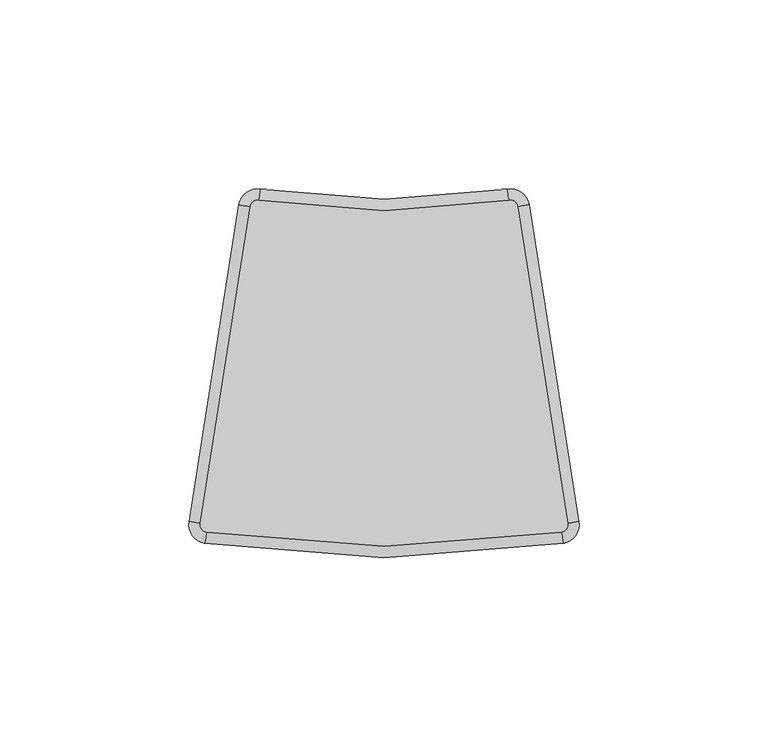
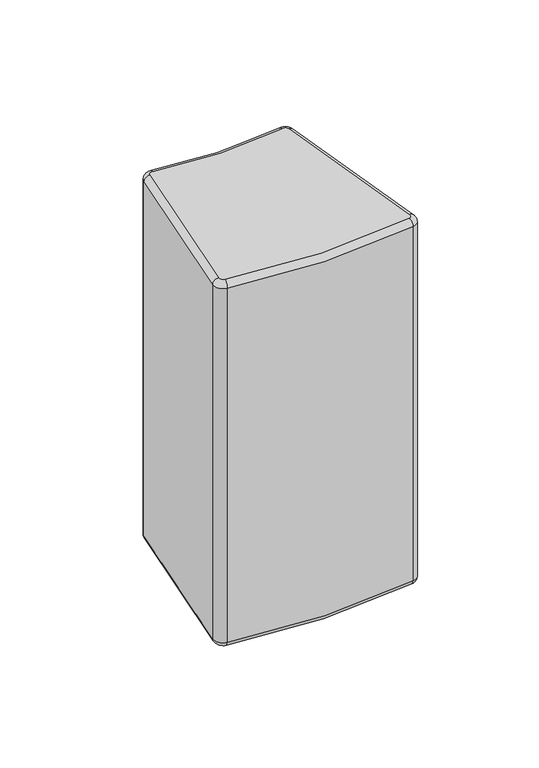
"""IFC4 building model written with IfcOpenShell, lengths in millimetres: plate geometry."""

from ifc_helpers import new_model, si_unit, point, frame, origin, place, context, project, spatial, polyline, circle_curve, ellipse_curve, trimmed, source, transform, mapped, element, save
from ifc_brep_helpers import plane_surface, cylinder_surface, revolved_surface, advanced_brep


def plate_ae0b410f(model_context):
    return source(origin(), model_context, "Body", "AdvancedBrep", [
        advanced_brep(
        [(-48.6187907, -40.1579752, 196.85), (-46.9610317, -42.4433121, 196.85), (46.9610317, -42.4433121, 196.85), (48.6187907, -40.1579752, 196.85), (35.4294025, 43.6926295, 196.85), (33.1273172, 45.3550478, 196.85), (-33.1273172, 45.3550478, 196.85), (-35.4294025, 43.6926295, 196.85), (-35.4294025, 43.6926295, 0.0), (-33.1273172, 45.3550478, 0.0), (33.1273172, 45.3550478, 0.0), (35.4294025, 43.6926295, 0.0), (48.6187907, -40.1579752, 0.0), (46.9610317, -42.4433121, 0.0), (-46.9610317, -42.4433121, 0.0), (-48.6187907, -40.1579752, 0.0), (-51.5823523, -39.691818, 193.85), (-38.3929641, 44.1587867, 193.85), (-38.3929641, 44.1587867, 2.9999976), (-51.5823523, -39.691818, 3.0), (47.4379548, -45.4051602, 193.85), (-47.4379548, -45.4051602, 193.85), (-47.4379548, -45.4051602, 2.9999989), (47.4379548, -45.4051602, 3.0), (38.3929641, 44.1587867, 193.85), (51.5823523, -39.691818, 193.85), (51.5823523, -39.691818, 3.0), (38.3929641, 44.1587867, 3.0), (-32.637751, 48.3148324, 193.85), (32.637751, 48.3148324, 193.85), (32.637751, 48.3148324, 2.9999976), (-32.637751, 48.3148324, 3.0)],
        [
            (0, 1, circle_curve(frame((-46.6430829, -40.4687467, 196.85), z_axis=(0.0, 0.0, 1.0), x_axis=(-0.9878538718482607, 0.15538573896725602, 0.0)), 2.0)),
            (1, 2, circle_curve(frame((0.0, 249.2, 196.85), z_axis=(0.0, 0.0, 1.0), x_axis=(-0.1589743793886803, -0.9872827085986992, 0.0)), 295.4)),
            (2, 3, circle_curve(frame((46.6430829, -40.4687467, 196.85), z_axis=(0.0, 0.0, 1.0), x_axis=(0.15897437938865627, -0.987282708598703, 0.0)), 2.0)),
            (3, 4),
            (4, 5, circle_curve(frame((33.4536947, 43.381858, 196.85), z_axis=(0.0, 0.0, 1.0), x_axis=(0.9878538718482599, 0.1553857389672605, 0.0)), 2.0)),
            (5, 6, circle_curve(frame((0.0, 245.6338056, 196.85), z_axis=(0.0, 0.0, -1.0), x_axis=(0.16318875479181272, -0.9865948663506706, 0.0)), 203.0)),
            (6, 7, circle_curve(frame((-33.4536947, 43.381858, 196.85), z_axis=(0.0, 0.0, 1.0), x_axis=(0.16318875479181183, 0.9865948663506707, 0.0)), 2.0)),
            (7, 0),
            (8, 9, circle_curve(frame((-33.4536947, 43.381858, 0.0), z_axis=(0.0, 0.0, -1.0), x_axis=(-0.9878538718482619, 0.1553857389672479, 0.0)), 2.0)),
            (9, 10, circle_curve(frame((0.0, 245.6338056, 0.0), z_axis=(0.0, 0.0, 1.0), x_axis=(-0.16318875479180558, -0.9865948663506718, 0.0)), 203.0)),
            (10, 11, circle_curve(frame((33.4536947, 43.381858, 0.0), z_axis=(0.0, 0.0, -1.0), x_axis=(-0.1631887547918012, 0.9865948663506725, 0.0)), 2.0)),
            (11, 12),
            (12, 13, circle_curve(frame((46.6430829, -40.4687467, 0.0), z_axis=(0.0, 0.0, -1.0), x_axis=(0.9878538718482593, 0.15538573896726424, 0.0)), 2.0)),
            (13, 14, circle_curve(frame((0.0, 249.2, 0.0), z_axis=(0.0, 0.0, -1.0), x_axis=(0.1589743793886688, -0.987282708598701, 0.0)), 295.4)),
            (14, 15, circle_curve(frame((-46.6430829, -40.4687467, 0.0), z_axis=(0.0, 0.0, -1.0), x_axis=(-0.1589743793886897, -0.9872827085986976, 0.0)), 2.0)),
            (15, 8),
            (16, 17),
            (17, 18),
            (18, 19),
            (19, 16),
            (20, 21, circle_curve(frame((0.0, 249.2, 193.85), z_axis=(0.0, 0.0, -1.0), x_axis=(1.0, 0.0, 0.0)), 298.4)),
            (21, 22),
            (22, 23, circle_curve(frame((0.0, 249.2, 3.0), z_axis=(0.0, 0.0, 1.0), x_axis=(1.0, 0.0, 0.0)), 298.4)),
            (23, 20),
            (24, 25),
            (25, 26),
            (26, 27),
            (27, 24),
            (28, 29, circle_curve(frame((0.0, 245.6338056, 193.85), z_axis=(0.0, 0.0, 1.0), x_axis=(1.0, 0.0, 0.0)), 200.0)),
            (29, 30),
            (30, 31, circle_curve(frame((0.0, 245.6338056, 3.0), z_axis=(0.0, 0.0, -1.0), x_axis=(1.0, 0.0, 0.0)), 200.0)),
            (31, 28),
            (21, 16, circle_curve(frame((-46.6430829, -40.4687467, 193.85), z_axis=(0.0, 0.0, -1.0), x_axis=(1.0, 0.0, 0.0)), 5.0)),
            (19, 22, circle_curve(frame((-46.6430829, -40.4687467, 3.0), z_axis=(0.0, 0.0, 1.0), x_axis=(1.0, 0.0, 0.0)), 5.0)),
            (25, 20, circle_curve(frame((46.6430829, -40.4687467, 193.85), z_axis=(0.0, 0.0, -1.0), x_axis=(1.0, 0.0, 0.0)), 5.0)),
            (23, 26, circle_curve(frame((46.6430829, -40.4687467, 3.0), z_axis=(0.0, 0.0, 1.0), x_axis=(1.0, 0.0, 0.0)), 5.0)),
            (29, 24, circle_curve(frame((33.4536947, 43.381858, 193.85), z_axis=(0.0, 0.0, -1.0), x_axis=(1.0, 0.0, 0.0)), 5.0)),
            (27, 30, circle_curve(frame((33.4536947, 43.381858, 3.0), z_axis=(0.0, 0.0, 1.0), x_axis=(1.0, 0.0, 0.0)), 5.0)),
            (17, 28, circle_curve(frame((-33.4536947, 43.381858, 193.85), z_axis=(0.0, 0.0, -1.0), x_axis=(1.0, 0.0, 0.0)), 5.0)),
            (31, 18, circle_curve(frame((-33.4536947, 43.381858, 3.0), z_axis=(0.0, 0.0, 1.0), x_axis=(1.0, 0.0, 0.0)), 5.0)),
            (21, 1, circle_curve(frame((-46.9610317, -42.4433121, 193.85), z_axis=(-0.9872827085986469, 0.1589743793890056, 0.0), x_axis=(0.1589743793890056, 0.9872827085986469, 0.0)), 3.0)),
            (0, 16, circle_curve(frame((-48.6187907, -40.1579752, 193.85), z_axis=(-0.155385738967256, -0.9878538718482607, 0.0), x_axis=(0.9878538718482607, -0.155385738967256, 0.0)), 3.0)),
            (20, 2, circle_curve(frame((46.9610317, -42.4433121, 193.85), z_axis=(-0.9872827085987009, -0.15897437938866907, 0.0), x_axis=(-0.15897437938866907, 0.9872827085987009, 0.0)), 3.0)),
            (25, 3, circle_curve(frame((48.6187907, -40.1579752, 193.85), z_axis=(0.15538573896727034, -0.9878538718482583, 0.0), x_axis=(-0.9878538718482583, -0.15538573896727034, 0.0)), 3.0)),
            (24, 4, circle_curve(frame((35.4294025, 43.6926295, 193.85), z_axis=(0.15538573896727137, -0.9878538718482582, 0.0), x_axis=(-0.9878538718482582, -0.15538573896727137, 0.0)), 3.0)),
            (29, 5, circle_curve(frame((33.1273172, 45.3550478, 193.85), z_axis=(0.9865948663507554, 0.16318875479129968, 0.0), x_axis=(0.16318875479129968, -0.9865948663507554, 0.0)), 3.0)),
            (28, 6, circle_curve(frame((-33.1273172, 45.3550478, 193.85), z_axis=(0.9865948663506717, -0.16318875479180608, 0.0), x_axis=(-0.16318875479180608, -0.9865948663506717, 0.0)), 3.0)),
            (17, 7, circle_curve(frame((-35.4294025, 43.6926295, 193.85), z_axis=(0.15538573896726787, 0.9878538718482587, 0.0), x_axis=(0.9878538718482587, -0.15538573896726787, 0.0)), 3.0)),
            (31, 9, circle_curve(frame((-33.1273172, 45.3550478, 3.0), z_axis=(-0.9865948663506676, 0.16318875479183045, 0.0), x_axis=(-0.16318875479183045, -0.9865948663506676, 0.0)), 3.0)),
            (8, 18, circle_curve(frame((-35.4294025, 43.6926295, 3.0), z_axis=(0.15538573896724792, 0.9878538718482619, 0.0), x_axis=(0.9878538718482619, -0.15538573896724792, 0.0)), 3.0)),
            (30, 10, circle_curve(frame((33.1273172, 45.3550478, 3.0), z_axis=(-0.9865948663506728, -0.16318875479180023, 0.0), x_axis=(0.16318875479180023, -0.9865948663506728, 0.0)), 3.0)),
            (27, 11, circle_curve(frame((35.4294025, 43.6926295, 3.0), z_axis=(-0.15538573896726726, 0.9878538718482589, 0.0), x_axis=(-0.9878538718482589, -0.15538573896726726, 0.0)), 3.0)),
            (26, 12, circle_curve(frame((48.6187907, -40.1579752, 3.0), z_axis=(-0.15538573896727154, 0.9878538718482582, 0.0), x_axis=(-0.9878538718482582, -0.15538573896727154, 0.0)), 3.0)),
            (23, 13, circle_curve(frame((46.9610317, -42.4433121, 3.0), z_axis=(0.9872827085987055, 0.15897437938864065, 0.0), x_axis=(-0.15897437938864065, 0.9872827085987055, 0.0)), 3.0)),
            (22, 14, circle_curve(frame((-46.9610317, -42.4433121, 3.0), z_axis=(0.9872827085987002, -0.15897437938867476, 0.0), x_axis=(0.15897437938867476, 0.9872827085987002, 0.0)), 3.0)),
            (19, 15, circle_curve(frame((-48.6187907, -40.1579752, 3.0), z_axis=(-0.1553857389672485, -0.9878538718482618, 0.0), x_axis=(0.9878538718482618, -0.1553857389672485, 0.0)), 3.0)),
        ],
        [
            plane_surface(frame((-52.35, -44.5720843, 196.85), z_axis=(0.0, 0.0, 1.0), x_axis=(-0.15538573896725646, -0.9878538718482606, 0.0))),
            plane_surface(frame((-52.35, -44.5720843, 0.0), z_axis=(0.0, 0.0, -1.0), x_axis=(0.15538573896725646, 0.9878538718482606, 0.0))),
            plane_surface(frame((-38.3929641, 44.1587867, 196.85), z_axis=(-0.9878538718482606, 0.15538573896725646, 0.0), x_axis=(0.0, 0.0, -1.0))),
            cylinder_surface(frame((0.0, 249.2, 0.0), z_axis=(0.0, 0.0, 1.0), x_axis=(1.0, 0.0, 0.0)), 298.4),
            plane_surface(frame((51.5823523, -39.691818, 196.85), z_axis=(0.9878538718482583, 0.15538573896727115, 0.0), x_axis=(0.0, 0.0, -1.0))),
            revolved_surface(polyline([(200.0, 245.6338056, 2.9999976), (200.0, 245.6338056, 193.85)]), (0.0, 245.6338056, 0.0), (0.0, 0.0, -1.0)),
            cylinder_surface(frame((-46.6430829, -40.4687467, 0.0), z_axis=(0.0, 0.0, 1.0), x_axis=(1.0, 0.0, 0.0)), 5.0),
            cylinder_surface(frame((46.6430829, -40.4687467, 0.0), z_axis=(0.0, 0.0, 1.0), x_axis=(1.0, 0.0, 0.0)), 5.0),
            cylinder_surface(frame((33.4536947, 43.381858, 0.0), z_axis=(0.0, 0.0, 1.0), x_axis=(1.0, 0.0, 0.0)), 5.0),
            cylinder_surface(frame((-33.4536947, 43.381858, 0.0), z_axis=(0.0, 0.0, 1.0), x_axis=(1.0, 0.0, 0.0)), 5.0),
            revolved_surface(trimmed(ellipse_curve(frame((-48.6187907, -40.1579752, 193.85), z_axis=(0.155385738967256, 0.9878538718482607, 0.0), x_axis=(0.9878538718482607, -0.155385738967256, 0.0)), 3.0, 3.0), [point((-51.5823523, -39.691818, 193.85))], [point((-48.6187907, -40.1579752, 196.85))], True, "CARTESIAN"), (-46.6430829, -40.4687467, 196.85), (0.0, 0.0, 1.0)),
            revolved_surface(trimmed(ellipse_curve(frame((-46.9610317, -42.4433121, 193.85), z_axis=(-0.9872827085986992, 0.1589743793886803, 0.0), x_axis=(0.1589743793886803, 0.9872827085986992, 0.0)), 3.0, 3.0), [point((-47.4379548, -45.4051602, 193.85))], [point((-46.9610317, -42.4433121, 196.85))], True, "CARTESIAN"), (0.0, 249.2, 196.85), (0.0, 0.0, 1.0)),
            revolved_surface(trimmed(ellipse_curve(frame((46.9610317, -42.4433121, 193.85), z_axis=(-0.987282708598703, -0.15897437938865625, 0.0), x_axis=(-0.15897437938865625, 0.987282708598703, 0.0)), 3.0, 3.0), [point((47.4379548, -45.4051602, 193.85))], [point((46.9610317, -42.4433121, 196.85))], True, "CARTESIAN"), (46.6430829, -40.4687467, 196.85), (0.0, 0.0, 1.0)),
            cylinder_surface(frame((48.6187907, -40.1579752, 193.85), z_axis=(-0.15538573896727137, 0.9878538718482582, 0.0), x_axis=(-0.9878538718482582, -0.15538573896727137, 0.0)), 3.0),
            revolved_surface(trimmed(ellipse_curve(frame((35.4294025, 43.6926295, 193.85), z_axis=(0.15538573896726046, -0.9878538718482599, 0.0), x_axis=(-0.9878538718482599, -0.15538573896726046, 0.0)), 3.0, 3.0), [point((38.3929641, 44.1587867, 193.85))], [point((35.4294025, 43.6926295, 196.85))], True, "CARTESIAN"), (33.4536947, 43.381858, 196.85), (0.0, 0.0, 1.0)),
            revolved_surface(trimmed(ellipse_curve(frame((33.1273172, 45.3550478, 193.85), z_axis=(0.9865948663506706, 0.16318875479181272, 0.0), x_axis=(0.16318875479181272, -0.9865948663506706, 0.0)), 3.0, 3.0), [point((32.637751, 48.3148324, 193.85))], [point((33.1273172, 45.3550478, 196.85))], True, "CARTESIAN"), (0.0, 245.6338056, 196.85), (0.0, 0.0, -1.0)),
            revolved_surface(trimmed(ellipse_curve(frame((-33.1273172, 45.3550478, 193.85), z_axis=(0.9865948663506707, -0.16318875479181183, 0.0), x_axis=(-0.16318875479181183, -0.9865948663506707, 0.0)), 3.0, 3.0), [point((-32.637751, 48.3148324, 193.85))], [point((-33.1273172, 45.3550478, 196.85))], True, "CARTESIAN"), (-33.4536947, 43.381858, 196.85), (0.0, 0.0, 1.0)),
            cylinder_surface(frame((-35.4294025, 43.6926295, 193.85), z_axis=(-0.15538573896725644, -0.9878538718482607, 0.0), x_axis=(0.9878538718482607, -0.15538573896725644, 0.0)), 3.0),
            revolved_surface(trimmed(ellipse_curve(frame((-35.4294025, 43.6926295, 3.0), z_axis=(-0.15538573896724792, -0.9878538718482619, 0.0), x_axis=(0.9878538718482619, -0.15538573896724792, 0.0)), 3.0, 3.0), [point((-38.3929641, 44.1587867, 3.0))], [point((-35.4294025, 43.6926295, 0.0))], True, "CARTESIAN"), (-33.4536947, 43.381858, 0.0), (0.0, 0.0, -1.0)),
            revolved_surface(trimmed(ellipse_curve(frame((-33.1273172, 45.3550478, 3.0), z_axis=(-0.9865948663506718, 0.16318875479180547, 0.0), x_axis=(-0.16318875479180547, -0.9865948663506718, 0.0)), 3.0, 3.0), [point((-32.637751, 48.3148324, 3.0))], [point((-33.1273172, 45.3550478, 0.0))], True, "CARTESIAN"), (0.0, 245.6338056, 0.0), (0.0, 0.0, 1.0)),
            revolved_surface(trimmed(ellipse_curve(frame((33.1273172, 45.3550478, 3.0), z_axis=(-0.9865948663506725, -0.16318875479180134, 0.0), x_axis=(0.16318875479180134, -0.9865948663506725, 0.0)), 3.0, 3.0), [point((32.637751, 48.3148324, 3.0))], [point((33.1273172, 45.3550478, 0.0))], True, "CARTESIAN"), (33.4536947, 43.381858, 0.0), (0.0, 0.0, -1.0)),
            cylinder_surface(frame((35.4294025, 43.6926295, 3.0), z_axis=(0.15538573896727154, -0.9878538718482582, 0.0), x_axis=(-0.9878538718482582, -0.15538573896727154, 0.0)), 3.0),
            revolved_surface(trimmed(ellipse_curve(frame((48.6187907, -40.1579752, 3.0), z_axis=(-0.1553857389672644, 0.9878538718482593, 0.0), x_axis=(-0.9878538718482593, -0.1553857389672644, 0.0)), 3.0, 3.0), [point((51.5823523, -39.691818, 3.0))], [point((48.6187907, -40.1579752, 0.0))], True, "CARTESIAN"), (46.6430829, -40.4687467, 0.0), (0.0, 0.0, -1.0)),
            revolved_surface(trimmed(ellipse_curve(frame((46.9610317, -42.4433121, 3.0), z_axis=(0.987282708598701, 0.15897437938866904, 0.0), x_axis=(-0.15897437938866904, 0.987282708598701, 0.0)), 3.0, 3.0), [point((47.4379548, -45.4051602, 3.0))], [point((46.9610317, -42.4433121, 0.0))], True, "CARTESIAN"), (0.0, 249.2, 0.0), (0.0, 0.0, -1.0)),
            revolved_surface(trimmed(ellipse_curve(frame((-46.9610317, -42.4433121, 3.0), z_axis=(0.9872827085986976, -0.1589743793886894, 0.0), x_axis=(0.1589743793886894, 0.9872827085986976, 0.0)), 3.0, 3.0), [point((-47.4379548, -45.4051602, 3.0))], [point((-46.9610317, -42.4433121, 0.0))], True, "CARTESIAN"), (-46.6430829, -40.4687467, 0.0), (0.0, 0.0, -1.0)),
            cylinder_surface(frame((-48.6187907, -40.1579752, 3.0), z_axis=(0.15538573896725622, 0.9878538718482607, 0.0), x_axis=(0.9878538718482607, -0.15538573896725622, 0.0)), 3.0),
        ],
        [
            (0, [[1, 2, 3, 4, 5, 6, 7, 8]]),
            (1, [[9, 10, 11, 12, 13, 14, 15, 16]]),
            (2, [[17, 18, 19, 20]]),
            (3, [[21, 22, 23, 24]]),
            (4, [[25, 26, 27, 28]]),
            (5, [[29, 30, 31, 32]]),
            (6, [[33, -20, 34, -22]]),
            (7, [[35, -24, 36, -26]]),
            (8, [[37, -28, 38, -30]]),
            (9, [[39, -32, 40, -18]]),
            (10, [[41, -1, 42, -33]]),
            (11, [[-41, -21, 43, -2]]),
            (12, [[-43, -35, 44, -3]]),
            (13, [[-44, -25, 45, -4]]),
            (14, [[-45, -37, 46, -5]]),
            (15, [[-46, -29, 47, -6]]),
            (16, [[-47, -39, 48, -7]]),
            (17, [[-42, -8, -48, -17]]),
            (18, [[49, -9, 50, -40]]),
            (19, [[-49, -31, 51, -10]]),
            (20, [[-51, -38, 52, -11]]),
            (21, [[-52, -27, 53, -12]]),
            (22, [[-53, -36, 54, -13]]),
            (23, [[-54, -23, 55, -14]]),
            (24, [[-55, -34, 56, -15]]),
            (25, [[-50, -16, -56, -19]]),
        ],
    ),
    ])


if __name__ == "__main__":
    model = new_model("IFC4")
    model_context = context("Model", 3, world=origin())
    ifc_project = project(units=[si_unit("LENGTHUNIT", "METRE", prefix="MILLI")], contexts=[model_context])
    site = spatial("IfcSite", under=ifc_project)
    building = spatial("IfcBuilding", under=site)
    placement = place(None, origin())
    plate_shape = plate_ae0b410f(model_context)
    element("IfcPlate", 1, at=placement, inside=building, context=model_context, shape_type="MappedRepresentation", body=[
        mapped(plate_shape, transform((0.0, 0.0, 0.0), x_axis=(1.0, 0.0, 0.0), y_axis=(0.0, 1.0, 0.0), z_axis=(0.0, 0.0, 1.0))),
    ])
    save(model, "model.ifc")
